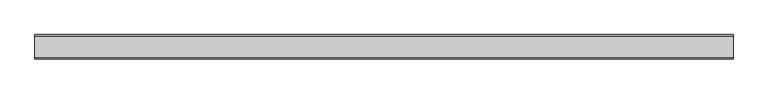
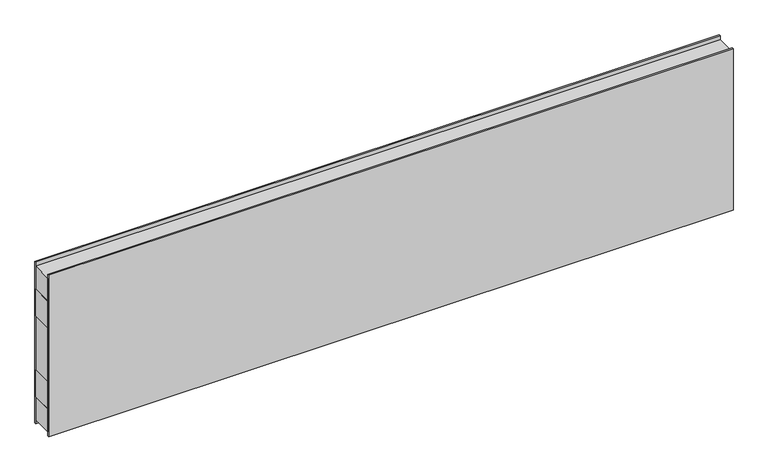
"""IFC4 building model written with IfcOpenShell, lengths in millimetres: plate geometry."""

from ifc_helpers import new_model, si_unit, frame, origin, origin_with_axes, place, context, project, spatial, polyline, outline, extrude, source, transform, mapped, element, save


def plate_d93e791a(model_context):
    return source(origin(), model_context, "Body", "SweptSolid", [
        extrude(outline(polyline([(-1200.0, -37.5), (-1200.0, 37.5), (1200.0, 37.5), (1200.0, -37.5), (-1200.0, -37.5)])), frame((0.0, 0.0, 400.0), z_axis=(0.0, 0.0, 1.0), x_axis=(1.0, 0.0, 0.0)), (0.0, 0.0, 1.0), 100.0),
        extrude(outline(polyline([(-1200.0, -37.5), (-1200.0, 37.5), (1200.0, 37.5), (1200.0, -37.5), (-1200.0, -37.5)])), frame((0.0, 0.0, 100.0), z_axis=(0.0, 0.0, 1.0), x_axis=(1.0, 0.0, 0.0)), (0.0, 0.0, 1.0), 100.0),
        extrude(outline(polyline([(-1200.0, -42.0), (-1200.0, -37.5), (1200.0, -37.5), (1200.0, -42.0), (-1200.0, -42.0)])), origin_with_axes(), (0.0, 0.0, 1.0), 600.0),
        extrude(outline(polyline([(-1200.0, 37.5), (-1200.0, 42.0), (1200.0, 42.0), (1200.0, 37.5), (-1200.0, 37.5)])), origin_with_axes(), (0.0, 0.0, 1.0), 600.0),
        extrude(outline(polyline([(1200.0, 37.5), (1200.0, -37.5), (-1200.0, -37.5), (-1200.0, 37.5), (1200.0, 37.5)])), frame((0.0, 0.0, 500.0), z_axis=(0.0, 0.0, 1.0), x_axis=(1.0, 0.0, 0.0)), (0.0, 0.0, 1.0), 85.0),
        extrude(outline(polyline([(1200.0, 37.5), (1200.0, -37.5), (-1200.0, -37.5), (-1200.0, 37.5), (1200.0, 37.5)])), frame((0.0, 0.0, 15.0), z_axis=(0.0, 0.0, 1.0), x_axis=(1.0, 0.0, 0.0)), (0.0, 0.0, 1.0), 85.0),
        extrude(outline(polyline([(1200.0, 37.5), (1200.0, -37.5), (-1200.0, -37.5), (-1200.0, 37.5), (1200.0, 37.5)])), frame((0.0, 0.0, 200.0), z_axis=(0.0, 0.0, 1.0), x_axis=(1.0, 0.0, 0.0)), (0.0, 0.0, 1.0), 200.0),
    ])


if __name__ == "__main__":
    model = new_model("IFC4")
    model_context = context("Model", 3, world=origin())
    ifc_project = project(units=[si_unit("LENGTHUNIT", "METRE", prefix="MILLI")], contexts=[model_context])
    site = spatial("IfcSite", under=ifc_project)
    building = spatial("IfcBuilding", under=site)
    placement = place(None, origin())
    plate_shape = plate_d93e791a(model_context)
    element("IfcPlate", 1, at=placement, inside=building, context=model_context, shape_type="MappedRepresentation", body=[
        mapped(plate_shape, transform((0.0, 0.0, 0.0), x_axis=(1.0, 0.0, 0.0), y_axis=(0.0, 1.0, 0.0), z_axis=(0.0, 0.0, 1.0))),
    ])
    save(model, "model.ifc")
